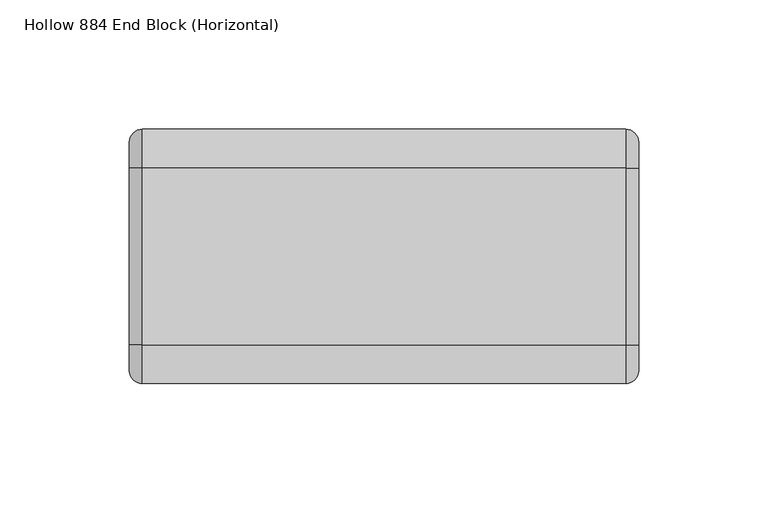
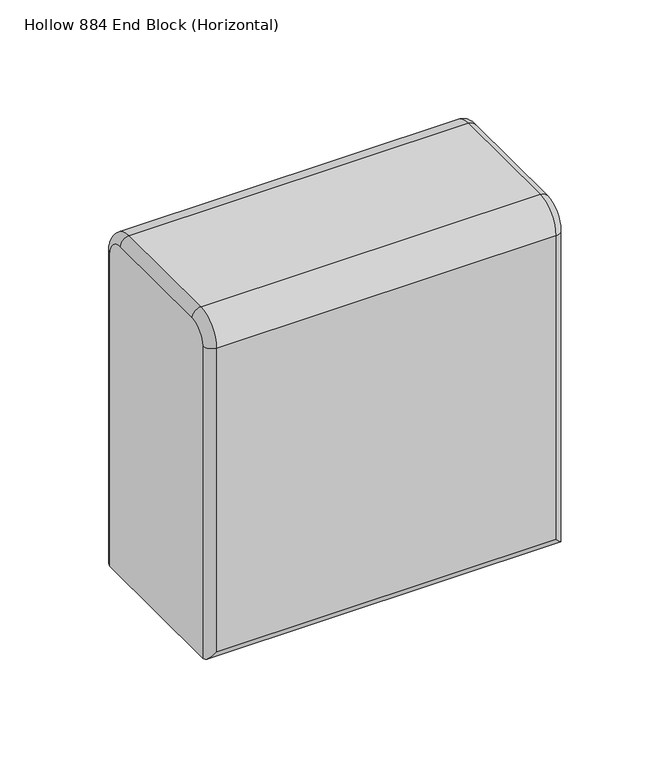
"""IFC4 building model written with IfcOpenShell, lengths in millimetres: plate geometry, Hollow 884 End Block (Horizontal)."""

from ifc_helpers import new_model, si_unit, point, frame, origin, place, context, project, spatial, circle_curve, ellipse_curve, trimmed, source, transform, mapped, element, save
from ifc_brep_helpers import plane_surface, cylinder_surface, revolved_surface, advanced_brep


def hollow_884_end_block_horizontal_32418bbc(model_context):
    return source(origin(), model_context, "Body", "AdvancedBrep", [
        advanced_brep(
        [(98.4249998, -44.2, 0.0), (98.4249998, 44.2, 0.0), (98.4249998, 44.2, 182.0), (98.4249998, 34.2, 192.0), (98.4249998, -34.2, 192.0), (98.4249998, -44.2, 182.0), (-98.4249998, 44.2, 0.0), (-98.4249998, -44.2, 0.0), (-98.4249998, -44.2, 182.0), (-98.4249998, -34.2, 192.0), (-98.4249998, 34.2, 192.0), (-98.4249998, 44.2, 182.0), (93.4250044, -49.2, 182.0), (-93.4249998, -49.2, 182.0), (-93.4249998, -49.2, 5.0), (93.4249998, -49.2, 5.0), (-93.4250044, 49.2, 182.0), (93.4249998, 49.2, 182.0), (93.4249998, 49.2, 5.0), (-93.4249998, 49.2, 5.0), (93.4250044, 34.2, 197.0), (-93.4249998, 34.2, 197.0), (-93.4249998, -34.2, 197.0), (93.4249998, -34.2, 197.0)],
        [
            (0, 1),
            (1, 2),
            (2, 3, circle_curve(frame((98.4249998, 34.2, 182.0), z_axis=(1.0, 0.0, 0.0), x_axis=(0.0, 1.0, 0.0)), 10.0)),
            (3, 4),
            (4, 5, circle_curve(frame((98.4249998, -34.2, 182.0), z_axis=(1.0, 0.0, 0.0), x_axis=(0.0, 0.0, 1.0)), 10.0)),
            (5, 0),
            (6, 7),
            (7, 8),
            (8, 9, circle_curve(frame((-98.4249998, -34.2, 182.0), z_axis=(-1.0, 0.0, 0.0), x_axis=(0.0, -1.0, 0.0)), 10.0)),
            (9, 10),
            (10, 11, circle_curve(frame((-98.4249998, 34.2, 182.0), z_axis=(-1.0, 0.0, 0.0), x_axis=(0.0, 0.0, 1.0)), 10.0)),
            (11, 6),
            (12, 13),
            (13, 14),
            (14, 15),
            (15, 12),
            (0, 7),
            (6, 1),
            (16, 17),
            (17, 18),
            (18, 19),
            (19, 16),
            (20, 21),
            (21, 22),
            (22, 23),
            (23, 20),
            (12, 23, circle_curve(frame((93.4249998, -34.2, 182.0), z_axis=(-1.0, 0.0, 0.0), x_axis=(0.0, 1.0, 0.0)), 15.0)),
            (22, 13, circle_curve(frame((-93.4249998, -34.2, 182.0), z_axis=(1.0, 0.0, 0.0), x_axis=(0.0, 1.0, 0.0)), 15.0)),
            (20, 17, circle_curve(frame((93.4249998, 34.2, 182.0), z_axis=(-1.0, 0.0, 0.0), x_axis=(0.0, 1.0, 0.0)), 15.0)),
            (16, 21, circle_curve(frame((-93.4249998, 34.2, 182.0), z_axis=(1.0, 0.0, 0.0), x_axis=(0.0, 1.0, 0.0)), 15.0)),
            (14, 7, ellipse_curve(frame((-93.4249998, -44.2, 5.0), z_axis=(0.7071067811865475, 0.0, -0.7071067811865475), x_axis=(-0.7071067811865476, 0.0, -0.7071067811865474)), 7.0710678, 5.0)),
            (0, 15, ellipse_curve(frame((93.4249998, -44.2, 5.0), z_axis=(-0.7071067811865475, 0.0, -0.7071067811865475), x_axis=(-0.7071067811865476, 0.0, 0.7071067811865474)), 7.0710678, 5.0)),
            (13, 8, circle_curve(frame((-93.4249998, -44.2, 182.0), z_axis=(0.0, 0.0, -1.0), x_axis=(-1.0, 0.0, 0.0)), 5.0)),
            (22, 9, circle_curve(frame((-93.4249998, -34.2, 192.0), z_axis=(0.0, -1.0, 0.0), x_axis=(-1.0, 0.0, 0.0)), 5.0)),
            (21, 10, circle_curve(frame((-93.4249998, 34.2, 192.0), z_axis=(0.0, -1.0, 0.0), x_axis=(-1.0, 0.0, 0.0)), 5.0)),
            (16, 11, circle_curve(frame((-93.4249998, 44.2, 182.0), z_axis=(0.0, 0.0, 1.0), x_axis=(-1.0, 0.0, 0.0)), 5.0)),
            (19, 6, ellipse_curve(frame((-93.4249998, 44.2, 5.0), z_axis=(-0.7071067811865475, 0.0, 0.7071067811865475), x_axis=(-0.7071067811865474, 0.0, -0.7071067811865476)), 7.0710678, 5.0)),
            (18, 1, ellipse_curve(frame((93.4249998, 44.2, 5.0), z_axis=(-0.7071067811865475, 0.0, -0.7071067811865475), x_axis=(0.7071067811865476, 0.0, -0.7071067811865474)), 7.0710678, 5.0)),
            (17, 2, circle_curve(frame((93.4249998, 44.2, 182.0), z_axis=(0.0, 0.0, -1.0), x_axis=(1.0, 0.0, 0.0)), 5.0)),
            (20, 3, circle_curve(frame((93.4249998, 34.2, 192.0), z_axis=(0.0, 1.0, 0.0), x_axis=(1.0, 0.0, 0.0)), 5.0)),
            (23, 4, circle_curve(frame((93.4249998, -34.2, 192.0), z_axis=(0.0, 1.0, 0.0), x_axis=(1.0, 0.0, 0.0)), 5.0)),
            (12, 5, circle_curve(frame((93.4249998, -44.2, 182.0), z_axis=(0.0, 0.0, 1.0), x_axis=(1.0, 0.0, 0.0)), 5.0)),
        ],
        [
            plane_surface(frame((98.4249998, -19.2, 182.0), z_axis=(1.0, 0.0, 0.0), x_axis=(0.0, 0.0, 1.0))),
            plane_surface(frame((-98.4249998, -19.2, 182.0), z_axis=(-1.0, 0.0, 0.0), x_axis=(0.0, 0.0, -1.0))),
            plane_surface(frame((98.4249998, -49.2, 182.0), z_axis=(0.0, -1.0, 0.0), x_axis=(-1.0, 0.0, 0.0))),
            plane_surface(frame((98.4249998, -49.2, 0.0), z_axis=(0.0, 0.0, -1.0), x_axis=(-1.0, 0.0, 0.0))),
            plane_surface(frame((98.4249998, 49.2, 0.0), z_axis=(0.0, 1.0, 0.0), x_axis=(-1.0, 0.0, 0.0))),
            plane_surface(frame((98.4249998, 34.2, 197.0), z_axis=(0.0, 0.0, 1.0), x_axis=(-1.0, 0.0, 0.0))),
            cylinder_surface(frame((-98.4249998, -34.2, 182.0), z_axis=(1.0, 0.0, 0.0), x_axis=(0.0, 1.0, 0.0)), 15.0),
            cylinder_surface(frame((-98.4249998, 34.2, 182.0), z_axis=(1.0, 0.0, 0.0), x_axis=(0.0, 1.0, 0.0)), 15.0),
            cylinder_surface(frame((98.4249998, -44.2, 5.0), z_axis=(-1.0, 0.0, 0.0), x_axis=(0.0, 0.0, -1.0)), 5.0),
            cylinder_surface(frame((-93.4249998, -44.2, 0.0), z_axis=(0.0, 0.0, 1.0), x_axis=(-1.0, 0.0, 0.0)), 5.0),
            revolved_surface(trimmed(ellipse_curve(frame((-93.4249998, -44.2, 182.0), z_axis=(0.0, 0.0, -1.0), x_axis=(-1.0, 0.0, 0.0)), 5.0, 5.0), [point((-93.4249998, -49.2, 182.0))], [point((-98.4249998, -44.2, 182.0))], True, "CARTESIAN"), (-98.4249998, -34.2, 182.0), (-1.0, 0.0, 0.0)),
            cylinder_surface(frame((-93.4249998, -34.2, 192.0), z_axis=(0.0, 1.0, 0.0), x_axis=(-1.0, 0.0, 0.0)), 5.0),
            revolved_surface(trimmed(ellipse_curve(frame((-93.4249998, 34.2, 192.0), z_axis=(0.0, -1.0, 0.0), x_axis=(-1.0, 0.0, 0.0)), 5.0, 5.0), [point((-93.4249998, 34.2, 197.0))], [point((-98.4249998, 34.2, 192.0))], True, "CARTESIAN"), (-98.4249998, 34.2, 182.0), (-1.0, 0.0, 0.0)),
            cylinder_surface(frame((-93.4249998, 44.2, 182.0), z_axis=(0.0, 0.0, -1.0), x_axis=(-1.0, 0.0, 0.0)), 5.0),
            cylinder_surface(frame((-98.4249998, 44.2, 5.0), z_axis=(1.0, 0.0, 0.0), x_axis=(0.0, 0.0, -1.0)), 5.0),
            cylinder_surface(frame((93.4249998, 44.2, 0.0), z_axis=(0.0, 0.0, 1.0), x_axis=(1.0, 0.0, 0.0)), 5.0),
            revolved_surface(trimmed(ellipse_curve(frame((93.4249998, 44.2, 182.0), z_axis=(0.0, 0.0, -1.0), x_axis=(1.0, 0.0, 0.0)), 5.0, 5.0), [point((93.4249998, 49.2, 182.0))], [point((98.4249998, 44.2, 182.0))], True, "CARTESIAN"), (98.4249998, 34.2, 182.0), (1.0, 0.0, 0.0)),
            cylinder_surface(frame((93.4249998, 34.2, 192.0), z_axis=(0.0, -1.0, 0.0), x_axis=(1.0, 0.0, 0.0)), 5.0),
            revolved_surface(trimmed(ellipse_curve(frame((93.4249998, -34.2, 192.0), z_axis=(0.0, 1.0, 0.0), x_axis=(1.0, 0.0, 0.0)), 5.0, 5.0), [point((93.4249998, -34.2, 197.0))], [point((98.4249998, -34.2, 192.0))], True, "CARTESIAN"), (98.4249998, -34.2, 182.0), (1.0, 0.0, 0.0)),
            cylinder_surface(frame((93.4249998, -44.2, 182.0), z_axis=(0.0, 0.0, -1.0), x_axis=(1.0, 0.0, 0.0)), 5.0),
        ],
        [
            (0, [[1, 2, 3, 4, 5, 6]]),
            (1, [[7, 8, 9, 10, 11, 12]]),
            (2, [[13, 14, 15, 16]]),
            (3, [[-1, 17, -7, 18]]),
            (4, [[19, 20, 21, 22]]),
            (5, [[23, 24, 25, 26]]),
            (6, [[-13, 27, -25, 28]]),
            (7, [[-23, 29, -19, 30]]),
            (8, [[31, -17, 32, -15]]),
            (9, [[-31, -14, 33, -8]]),
            (10, [[-33, -28, 34, -9]]),
            (11, [[-34, -24, 35, -10]]),
            (12, [[-35, -30, 36, -11]]),
            (13, [[-36, -22, 37, -12]]),
            (14, [[-37, -21, 38, -18]]),
            (15, [[-38, -20, 39, -2]]),
            (16, [[-39, -29, 40, -3]]),
            (17, [[-40, -26, 41, -4]]),
            (18, [[-41, -27, 42, -5]]),
            (19, [[-32, -6, -42, -16]]),
        ],
    ),
    ])


if __name__ == "__main__":
    model = new_model("IFC4")
    model_context = context("Model", 3, world=origin())
    ifc_project = project(units=[si_unit("LENGTHUNIT", "METRE", prefix="MILLI")], contexts=[model_context])
    site = spatial("IfcSite", under=ifc_project)
    building = spatial("IfcBuilding", under=site)
    placement = place(None, origin())
    hollow_884_end_block_horizontal_shape = hollow_884_end_block_horizontal_32418bbc(model_context)
    element("IfcPlate", 1, ObjectType="Hollow 884 End Block (Horizontal)", at=placement, inside=building, context=model_context, shape_type="MappedRepresentation", body=[
        mapped(hollow_884_end_block_horizontal_shape, transform((0.0, 0.0, 0.0), x_axis=(1.0, 0.0, 0.0), y_axis=(0.0, 1.0, 0.0), z_axis=(0.0, 0.0, 1.0))),
    ])
    save(model, "model.ifc")
